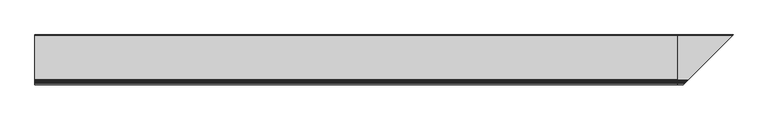
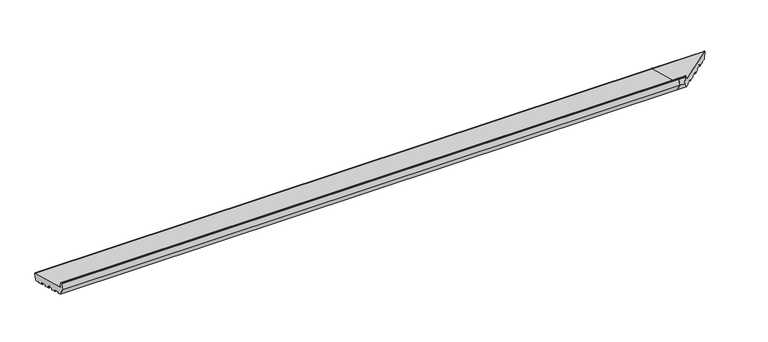
"""IFC4 building model written with IfcOpenShell, lengths in millimetres: proxy geometry."""

from ifc_helpers import new_model, si_unit, point, frame, frame_2d, origin, place, context, project, spatial, polyline, circle_curve, ellipse_curve, trimmed, segment, composite_curve, outline, extrude, source, transform, mapped, element, save
from ifc_brep_helpers import plane_surface, cylinder_surface, revolved_surface, advanced_brep


def generic_models_e6ba7e44(model_context):
    return source(origin(), model_context, "Body", "SolidModel", [
        advanced_brep(
        [(2695.0, 27.5646181, 4.649359), (2695.0, 24.8478405, 5.3773174), (2695.0, 10.6796108, 13.9647636), (2695.0, 9.195355, 13.368402), (2695.0, 8.2461016, 9.8257399), (2695.0, 7.0213567, 9.1186331), (2695.0, -15.1949373, 15.0714712), (2695.0, -15.9020441, 16.2962161), (2695.0, -14.8667679, 20.1599194), (2695.0, -15.5738747, 21.3846642), (2695.0, -38.7560945, 27.5963213), (2695.0, -39.9808394, 26.8892145), (2695.0, -41.0161156, 23.0255112), (2695.0, -42.2408604, 22.3184044), (2695.0, -64.4571545, 28.2712425), (2695.0, -65.1642612, 29.4959874), (2695.0, -64.1289851, 33.3596907), (2695.0, -64.8360918, 34.5844355), (2695.0, -88.0183117, 40.7960926), (2695.0, -89.2430565, 40.0889858), (2695.0, -90.2783327, 36.2252825), (2695.0, -91.5030776, 35.5181757), (2695.0, -113.7193716, 41.4710138), (2695.0, -114.4264784, 42.6957587), (2695.0, -113.3912022, 46.559462), (2695.0, -114.098309, 47.7842068), (2695.0, -137.2805288, 53.9958639), (2695.0, -138.5052737, 53.2887571), (2695.0, -139.5405499, 49.4250538), (2695.0, -140.7652947, 48.717947), (2695.0, -153.3223305, 52.0825946), (2695.0, -171.0, 82.7012164), (2695.0, -164.4291321, 107.2240293), (2695.0, -162.9802434, 108.3358007), (2695.0, -159.6368689, 108.3358007), (2695.0, -158.1879801, 107.2240293), (2695.0, -153.4052841, 89.3747645), (2695.0, -149.1626434, 85.1321238), (2695.0, 35.8468275, 35.5589855), (2695.0, 37.9681479, 31.8847509), (2695.0, 31.2388527, 6.7706794), (2919.2388527, 31.2388527, 6.7706794), (2915.5646181, 27.5646181, 4.649359), (2925.9681479, 37.9681479, 31.8847509), (2923.8468275, 35.8468275, 35.5589855), (2738.8373566, -149.1626434, 85.1321238), (2734.5947159, -153.4052841, 89.3747645), (2729.8120199, -158.1879801, 107.2240293), (2728.3631311, -159.6368689, 108.3358007), (2725.0197566, -162.9802434, 108.3358007), (2723.5708679, -164.4291321, 107.2240293), (2717.0, -171.0, 82.7012164), (2734.6776695, -153.3223305, 52.0825946), (2747.2347053, -140.7652947, 48.717947), (2748.4594501, -139.5405499, 49.4250538), (2749.4947263, -138.5052737, 53.2887571), (2750.7194712, -137.2805288, 53.9958639), (2773.901691, -114.098309, 47.7842068), (2774.6087978, -113.3912022, 46.559462), (2773.5735216, -114.4264784, 42.6957587), (2774.2806284, -113.7193716, 41.4710138), (2796.4969224, -91.5030776, 35.5181757), (2797.7216673, -90.2783327, 36.2252825), (2798.7569435, -89.2430565, 40.0889858), (2799.9816883, -88.0183117, 40.7960926), (2912.8478405, 24.8478405, 5.3773174), (2823.1639082, -64.8360918, 34.5844355), (2823.5428455, -64.4571545, 28.2712425), (2822.8357388, -65.1642612, 29.4959874), (2823.8710149, -64.1289851, 33.3596907), (2845.7591396, -42.2408604, 22.3184044), (2846.9838844, -41.0161156, 23.0255112), (2848.0191606, -39.9808394, 26.8892145), (2849.2439055, -38.7560945, 27.5963213), (2872.4261253, -15.5738747, 21.3846642), (2873.1332321, -14.8667679, 20.1599194), (2872.0979559, -15.9020441, 16.2962161), (2872.8050627, -15.1949373, 15.0714712), (2895.0213567, 7.0213567, 9.1186331), (2896.2461016, 8.2461016, 9.8257399), (2897.195355, 9.195355, 13.368402), (2898.6796108, 10.6796108, 13.9647636)],
        [
            (0, 1),
            (1, 2),
            (2, 3, circle_curve(frame((2695.0, 10.1612808, 13.1095829), z_axis=(1.0, 0.0, 0.0), x_axis=(0.0, 1.0, 0.0)), 1.0)),
            (3, 4),
            (4, 5, circle_curve(frame((2695.0, 7.2801757, 10.084559), z_axis=(-1.0, 0.0, 0.0), x_axis=(0.0, 1.0, 0.0)), 1.0)),
            (5, 6),
            (6, 7, circle_curve(frame((2695.0, -14.9361183, 16.037397), z_axis=(-1.0, 0.0, 0.0), x_axis=(0.0, 1.0, 0.0)), 1.0)),
            (7, 8),
            (8, 9, circle_curve(frame((2695.0, -15.8326937, 20.4187384), z_axis=(1.0, 0.0, 0.0), x_axis=(0.0, 1.0, 0.0)), 1.0)),
            (9, 10),
            (10, 11, circle_curve(frame((2695.0, -39.0149136, 26.6303955), z_axis=(1.0, 0.0, 0.0), x_axis=(0.0, 1.0, 0.0)), 1.0)),
            (11, 12),
            (12, 13, circle_curve(frame((2695.0, -41.9820414, 23.2843303), z_axis=(-1.0, 0.0, 0.0), x_axis=(0.0, 1.0, 0.0)), 1.0)),
            (13, 14),
            (14, 15, circle_curve(frame((2695.0, -64.1983354, 29.2371683), z_axis=(-1.0, 0.0, 0.0), x_axis=(0.0, 1.0, 0.0)), 1.0)),
            (15, 16),
            (16, 17, circle_curve(frame((2695.0, -65.0949109, 33.6185097), z_axis=(1.0, 0.0, 0.0), x_axis=(0.0, 1.0, 0.0)), 1.0)),
            (17, 18),
            (18, 19, circle_curve(frame((2695.0, -88.2771307, 39.8301668), z_axis=(1.0, 0.0, 0.0), x_axis=(0.0, 1.0, 0.0)), 1.0)),
            (19, 20),
            (20, 21, circle_curve(frame((2695.0, -91.2442585, 36.4841016), z_axis=(-1.0, 0.0, 0.0), x_axis=(0.0, 1.0, 0.0)), 1.0)),
            (21, 22),
            (22, 23, circle_curve(frame((2695.0, -113.4605525, 42.4369396), z_axis=(-1.0, 0.0, 0.0), x_axis=(0.0, 1.0, 0.0)), 1.0)),
            (23, 24),
            (24, 25, circle_curve(frame((2695.0, -114.357128, 46.818281), z_axis=(1.0, 0.0, 0.0), x_axis=(0.0, 1.0, 0.0)), 1.0)),
            (25, 26),
            (26, 27, circle_curve(frame((2695.0, -137.5393479, 53.0299381), z_axis=(1.0, 0.0, 0.0), x_axis=(0.0, 1.0, 0.0)), 1.0)),
            (27, 28),
            (28, 29, circle_curve(frame((2695.0, -140.5064757, 49.6838729), z_axis=(-1.0, 0.0, 0.0), x_axis=(0.0, 1.0, 0.0)), 1.0)),
            (29, 30),
            (30, 31),
            (31, 32),
            (32, 33, circle_curve(frame((2695.0, -162.9802434, 106.8358007), z_axis=(-1.0, 0.0, 0.0), x_axis=(0.0, 1.0, 0.0)), 1.5)),
            (33, 34),
            (34, 35, circle_curve(frame((2695.0, -159.6368689, 106.8358007), z_axis=(-1.0, 0.0, 0.0), x_axis=(0.0, 1.0, 0.0)), 1.5)),
            (35, 36),
            (36, 37, circle_curve(frame((2695.0, -147.6097291, 90.9276787), z_axis=(1.0, 0.0, 0.0), x_axis=(0.0, 1.0, 0.0)), 6.0)),
            (37, 38),
            (38, 39, circle_curve(frame((2695.0, 35.0703704, 32.661208), z_axis=(-1.0, 0.0, 0.0), x_axis=(0.0, 1.0, 0.0)), 3.0)),
            (39, 40),
            (40, 0, circle_curve(frame((2695.0, 28.3410752, 7.5471365), z_axis=(-1.0, 0.0, 0.0), x_axis=(0.0, 1.0, 0.0)), 3.0)),
            (40, 41),
            (41, 42, ellipse_curve(frame((2916.3410752, 28.3410752, 7.5471365), z_axis=(-0.707106781186548, 0.7071067811865471, 0.0), x_axis=(0.707106781186547, 0.707106781186548, 0.0)), 4.2426407, 3.0)),
            (42, 0),
            (39, 43),
            (43, 41),
            (38, 44),
            (44, 43, ellipse_curve(frame((2923.0703704, 35.0703704, 32.661208), z_axis=(-0.707106781186548, 0.7071067811865471, 0.0), x_axis=(0.707106781186547, 0.707106781186548, 0.0)), 4.2426407, 3.0)),
            (37, 45),
            (45, 44),
            (36, 46),
            (46, 45, ellipse_curve(frame((2740.3902709, -147.6097291, 90.9276787), z_axis=(0.707106781186548, -0.7071067811865471, 0.0), x_axis=(-0.707106781186547, -0.707106781186548, 0.0)), 8.4852814, 6.0)),
            (35, 47),
            (47, 46),
            (34, 48),
            (48, 47, ellipse_curve(frame((2728.3631311, -159.6368689, 106.8358007), z_axis=(-0.707106781186548, 0.7071067811865471, 0.0), x_axis=(0.707106781186547, 0.707106781186548, 0.0)), 2.1213203, 1.5)),
            (33, 49),
            (49, 48),
            (32, 50),
            (50, 49, ellipse_curve(frame((2725.0197566, -162.9802434, 106.8358007), z_axis=(-0.707106781186548, 0.7071067811865471, 0.0), x_axis=(0.707106781186547, 0.707106781186548, 0.0)), 2.1213203, 1.5)),
            (31, 51),
            (51, 50),
            (30, 52),
            (52, 51),
            (29, 53),
            (53, 52),
            (28, 54),
            (54, 53, ellipse_curve(frame((2747.4935243, -140.5064757, 49.6838729), z_axis=(-0.707106781186548, 0.7071067811865471, 0.0), x_axis=(0.707106781186547, 0.707106781186548, 0.0)), 1.4142136, 1.0)),
            (27, 55),
            (55, 54),
            (26, 56),
            (56, 55, ellipse_curve(frame((2750.4606521, -137.5393479, 53.0299381), z_axis=(0.707106781186548, -0.7071067811865471, 0.0), x_axis=(-0.707106781186547, -0.707106781186548, 0.0)), 1.4142136, 1.0)),
            (25, 57),
            (57, 56),
            (24, 58),
            (58, 57, ellipse_curve(frame((2773.642872, -114.357128, 46.818281), z_axis=(0.707106781186548, -0.7071067811865471, 0.0), x_axis=(-0.707106781186547, -0.707106781186548, 0.0)), 1.4142136, 1.0)),
            (23, 59),
            (59, 58),
            (22, 60),
            (60, 59, ellipse_curve(frame((2774.5394475, -113.4605525, 42.4369396), z_axis=(-0.707106781186548, 0.7071067811865471, 0.0), x_axis=(0.707106781186547, 0.707106781186548, 0.0)), 1.4142136, 1.0)),
            (21, 61),
            (61, 60),
            (20, 62),
            (62, 61, ellipse_curve(frame((2796.7557415, -91.2442585, 36.4841016), z_axis=(-0.707106781186548, 0.7071067811865471, 0.0), x_axis=(0.707106781186547, 0.707106781186548, 0.0)), 1.4142136, 1.0)),
            (19, 63),
            (63, 62),
            (18, 64),
            (64, 63, ellipse_curve(frame((2799.7228693, -88.2771307, 39.8301668), z_axis=(0.707106781186548, -0.7071067811865471, 0.0), x_axis=(-0.707106781186547, -0.707106781186548, 0.0)), 1.4142136, 1.0)),
            (42, 65),
            (65, 1),
            (17, 66),
            (66, 64),
            (14, 67),
            (67, 68, ellipse_curve(frame((2823.8016646, -64.1983354, 29.2371683), z_axis=(-0.707106781186548, 0.7071067811865471, 0.0), x_axis=(0.707106781186547, 0.707106781186548, 0.0)), 1.4142136, 1.0)),
            (68, 15),
            (68, 69),
            (69, 16),
            (69, 66, ellipse_curve(frame((2822.9050891, -65.0949109, 33.6185097), z_axis=(0.707106781186548, -0.7071067811865471, 0.0), x_axis=(-0.707106781186547, -0.707106781186548, 0.0)), 1.4142136, 1.0)),
            (13, 70),
            (70, 67),
            (12, 71),
            (71, 70, ellipse_curve(frame((2846.0179586, -41.9820414, 23.2843303), z_axis=(-0.707106781186548, 0.7071067811865471, 0.0), x_axis=(0.707106781186547, 0.707106781186548, 0.0)), 1.4142136, 1.0)),
            (11, 72),
            (72, 71),
            (10, 73),
            (73, 72, ellipse_curve(frame((2848.9850864, -39.0149136, 26.6303955), z_axis=(0.707106781186548, -0.7071067811865471, 0.0), x_axis=(-0.707106781186547, -0.707106781186548, 0.0)), 1.4142136, 1.0)),
            (9, 74),
            (74, 73),
            (74, 75, ellipse_curve(frame((2872.1673063, -15.8326937, 20.4187384), z_axis=(-0.707106781186548, 0.7071067811865471, 0.0), x_axis=(-0.707106781186547, -0.707106781186548, 0.0)), 1.4142136, 1.0)),
            (75, 76),
            (76, 77, ellipse_curve(frame((2873.0638817, -14.9361183, 16.037397), z_axis=(0.707106781186548, -0.7071067811865471, 0.0), x_axis=(0.707106781186547, 0.707106781186548, 0.0)), 1.4142136, 1.0)),
            (77, 78),
            (78, 79, ellipse_curve(frame((2895.2801757, 7.2801757, 10.084559), z_axis=(0.707106781186548, -0.7071067811865471, 0.0), x_axis=(0.707106781186547, 0.707106781186548, 0.0)), 1.4142136, 1.0)),
            (79, 80),
            (80, 81, ellipse_curve(frame((2898.1612808, 10.1612808, 13.1095829), z_axis=(-0.707106781186548, 0.7071067811865471, 0.0), x_axis=(-0.707106781186547, -0.707106781186548, 0.0)), 1.4142136, 1.0)),
            (81, 65),
            (81, 2),
            (80, 3),
            (79, 4),
            (78, 5),
            (77, 6),
            (76, 7),
            (75, 8),
        ],
        [
            plane_surface(frame((2695.0, 0.0, 0.0), z_axis=(-1.0, 0.0, 0.0), x_axis=(0.0, 0.0, 1.0))),
            cylinder_surface(frame((2926.2117918, 28.3410752, 7.5471365), z_axis=(1.0, 0.0, 0.0), x_axis=(0.0, 1.0, 0.0)), 3.0),
            plane_surface(frame((2926.2117918, 37.9681479, 31.8847509), z_axis=(0.0, 0.9659258262890688, -0.2588190451025192), x_axis=(-1.0, 0.0, 0.0))),
            cylinder_surface(frame((2926.2117918, 35.0703704, 32.661208), z_axis=(1.0, 0.0, 0.0), x_axis=(0.0, 1.0, 0.0)), 3.0),
            plane_surface(frame((2926.2117918, -149.1626434, 85.1321238), z_axis=(0.0, 0.2588190451025207, 0.9659258262890683), x_axis=(-1.0, 0.0, 0.0))),
            revolved_surface(polyline([(2695.0, -141.6097291, 90.9276787), (2746.390270918216, -141.6097291, 90.9276787)]), (2926.2117918, -147.6097291, 90.9276787), (-1.0, 0.0, 0.0)),
            plane_surface(frame((2926.2117918, -158.1879801, 107.2240293), z_axis=(0.0, 0.9659258262890698, 0.25881904510251524), x_axis=(-1.0, 0.0, 0.0))),
            cylinder_surface(frame((2926.2117918, -159.6368689, 106.8358007), z_axis=(1.0, 0.0, 0.0), x_axis=(0.0, 1.0, 0.0)), 1.5),
            plane_surface(frame((2926.2117918, -162.9802434, 108.3358007), z_axis=(0.0, 0.0, 1.0), x_axis=(-1.0, 0.0, 0.0))),
            cylinder_surface(frame((2926.2117918, -162.9802434, 106.8358007), z_axis=(1.0, 0.0, 0.0), x_axis=(0.0, 1.0, 0.0)), 1.5),
            plane_surface(frame((2926.2117918, -171.0, 82.7012164), z_axis=(0.0, -0.9659258262890683, 0.2588190451025209), x_axis=(-1.0, 0.0, 0.0))),
            plane_surface(frame((2926.2117918, -153.3223305, 52.0825946), z_axis=(0.0, -0.8660254037844415, -0.4999999999999952), x_axis=(-1.0, 0.0, 0.0))),
            plane_surface(frame((2926.2117918, -140.7652947, 48.717947), z_axis=(0.0, -0.2588190451025172, -0.9659258262890693), x_axis=(-1.0, 0.0, 0.0))),
            cylinder_surface(frame((2926.2117918, -140.5064757, 49.6838729), z_axis=(1.0, 0.0, 0.0), x_axis=(0.0, 1.0, 0.0)), 1.0),
            plane_surface(frame((2926.2117918, -138.5052737, 53.2887571), z_axis=(0.0, 0.9659258262890776, -0.25881904510248605), x_axis=(-1.0, 0.0, 0.0))),
            revolved_surface(polyline([(2695.0, -136.5393479, 53.0299381), (2751.4606521266064, -136.5393479, 53.0299381)]), (2926.2117918, -137.5393479, 53.0299381), (-1.0, 0.0, 0.0)),
            plane_surface(frame((2926.2117918, -114.098309, 47.7842068), z_axis=(0.0, -0.258819045102523, -0.9659258262890678), x_axis=(-1.0, 0.0, 0.0))),
            revolved_surface(polyline([(2695.0, -113.357128, 46.818281), (2774.6428720266063, -113.357128, 46.818281)]), (2926.2117918, -114.357128, 46.818281), (-1.0, 0.0, 0.0)),
            plane_surface(frame((2926.2117918, -114.4264784, 42.6957587), z_axis=(0.0, -0.9659258262890776, 0.25881904510248605), x_axis=(-1.0, 0.0, 0.0))),
            cylinder_surface(frame((2926.2117918, -113.4605525, 42.4369396), z_axis=(1.0, 0.0, 0.0), x_axis=(0.0, 1.0, 0.0)), 1.0),
            plane_surface(frame((2926.2117918, -91.5030776, 35.5181757), z_axis=(0.0, -0.2588190451025226, -0.9659258262890679), x_axis=(-1.0, 0.0, 0.0))),
            cylinder_surface(frame((2926.2117918, -91.2442585, 36.4841016), z_axis=(1.0, 0.0, 0.0), x_axis=(0.0, 1.0, 0.0)), 1.0),
            plane_surface(frame((2926.2117918, -89.2430565, 40.0889858), z_axis=(0.0, 0.9659258262890776, -0.25881904510248605), x_axis=(-1.0, 0.0, 0.0))),
            revolved_surface(polyline([(2695.0, -87.2771307, 39.8301668), (2800.7228693266065, -87.2771307, 39.8301668)]), (2926.2117918, -88.2771307, 39.8301668), (-1.0, 0.0, 0.0)),
            plane_surface(frame((2926.2117918, 27.5646181, 4.649359), z_axis=(0.0, -0.2588190451025255, -0.9659258262890671), x_axis=(-1.0, 0.0, 0.0))),
            plane_surface(frame((2926.2117918, -64.8360918, 34.5844355), z_axis=(0.0, -0.2588190451025206, -0.9659258262890683), x_axis=(-1.0, 0.0, 0.0))),
            cylinder_surface(frame((2926.2117918, -64.1983354, 29.2371683), z_axis=(1.0, 0.0, 0.0), x_axis=(0.0, 1.0, 0.0)), 1.0),
            plane_surface(frame((2926.2117918, -65.1642612, 29.4959874), z_axis=(0.0, -0.9659258262890776, 0.25881904510248605), x_axis=(-1.0, 0.0, 0.0))),
            revolved_surface(polyline([(2695.0, -64.0949109, 33.6185097), (2823.9050891266065, -64.0949109, 33.6185097)]), (2926.2117918, -65.0949109, 33.6185097), (-1.0, 0.0, 0.0)),
            plane_surface(frame((2926.2117918, -42.2408604, 22.3184044), z_axis=(0.0, -0.2588190451025198, -0.9659258262890686), x_axis=(-1.0, 0.0, 0.0))),
            cylinder_surface(frame((2926.2117918, -41.9820414, 23.2843303), z_axis=(1.0, 0.0, 0.0), x_axis=(0.0, 1.0, 0.0)), 1.0),
            plane_surface(frame((2926.2117918, -39.9808394, 26.8892145), z_axis=(0.0, 0.9659258262890776, -0.25881904510248605), x_axis=(-1.0, 0.0, 0.0))),
            revolved_surface(polyline([(2695.0, -38.0149136, 26.6303955), (2849.9850864266064, -38.0149136, 26.6303955)]), (2926.2117918, -39.0149136, 26.6303955), (-1.0, 0.0, 0.0)),
            plane_surface(frame((2926.2117918, -15.5738747, 21.3846642), z_axis=(0.0, -0.25881904510252063, -0.9659258262890683), x_axis=(-1.0, 0.0, 0.0))),
            plane_surface(frame((2870.6233951, -17.3766049, 0.0), z_axis=(0.707106781186548, -0.7071067811865471, 0.0), x_axis=(0.0, 0.0, 1.0))),
            plane_surface(frame((2926.2117918, 24.8478405, 5.3773174), z_axis=(0.0, -0.5183299834329768, -0.8551806991942522), x_axis=(-1.0, 0.0, 0.0))),
            revolved_surface(polyline([(2695.0, 11.1612808, 13.1095829), (2899.1612808266063, 11.1612808, 13.1095829)]), (2926.2117918, 10.1612808, 13.1095829), (-1.0, 0.0, 0.0)),
            plane_surface(frame((2926.2117918, 9.195355, 13.368402), z_axis=(0.0, 0.9659258262890607, -0.2588190451025496), x_axis=(-1.0, 0.0, 0.0))),
            cylinder_surface(frame((2926.2117918, 7.2801757, 10.084559), z_axis=(1.0, 0.0, 0.0), x_axis=(0.0, 1.0, 0.0)), 1.0),
            plane_surface(frame((2926.2117918, 7.0213567, 9.1186331), z_axis=(0.0, -0.2588190451025221, -0.965925826289068), x_axis=(-1.0, 0.0, 0.0))),
            cylinder_surface(frame((2926.2117918, -14.9361183, 16.037397), z_axis=(1.0, 0.0, 0.0), x_axis=(0.0, 1.0, 0.0)), 1.0),
            plane_surface(frame((2926.2117918, -15.9020441, 16.2962161), z_axis=(0.0, -0.9659258262890634, 0.2588190451025393), x_axis=(-1.0, 0.0, 0.0))),
            revolved_surface(polyline([(2695.0, -14.8326937, 20.4187384), (2873.167306326606, -14.8326937, 20.4187384)]), (2926.2117918, -15.8326937, 20.4187384), (-1.0, 0.0, 0.0)),
        ],
        [
            (0, [[1, 2, 3, 4, 5, 6, 7, 8, 9, 10, 11, 12, 13, 14, 15, 16, 17, 18, 19, 20, 21, 22, 23, 24, 25, 26, 27, 28, 29, 30, 31, 32, 33, 34, 35, 36, 37, 38, 39, 40, 41]]),
            (1, [[42, 43, 44, -41]]),
            (2, [[45, 46, -42, -40]]),
            (3, [[47, 48, -45, -39]]),
            (4, [[49, 50, -47, -38]]),
            (5, [[51, 52, -49, -37]]),
            (6, [[53, 54, -51, -36]]),
            (7, [[55, 56, -53, -35]]),
            (8, [[57, 58, -55, -34]]),
            (9, [[59, 60, -57, -33]]),
            (10, [[61, 62, -59, -32]]),
            (11, [[63, 64, -61, -31]]),
            (12, [[65, 66, -63, -30]]),
            (13, [[67, 68, -65, -29]]),
            (14, [[69, 70, -67, -28]]),
            (15, [[71, 72, -69, -27]]),
            (16, [[73, 74, -71, -26]]),
            (17, [[75, 76, -73, -25]]),
            (18, [[77, 78, -75, -24]]),
            (19, [[79, 80, -77, -23]]),
            (20, [[81, 82, -79, -22]]),
            (21, [[83, 84, -81, -21]]),
            (22, [[85, 86, -83, -20]]),
            (23, [[87, 88, -85, -19]]),
            (24, [[-44, 89, 90, -1]]),
            (25, [[91, 92, -87, -18]]),
            (26, [[93, 94, 95, -15]]),
            (27, [[-95, 96, 97, -16]]),
            (28, [[-97, 98, -91, -17]]),
            (29, [[99, 100, -93, -14]]),
            (30, [[101, 102, -99, -13]]),
            (31, [[103, 104, -101, -12]]),
            (32, [[105, 106, -103, -11]]),
            (33, [[107, 108, -105, -10]]),
            (34, [[-46, -48, -50, -52, -54, -56, -58, -60, -62, -64, -66, -68, -70, -72, -74, -76, -78, -80, -82, -84, -86, -88, -92, -98, -96, -94, -100, -102, -104, -106, -108, 109, 110, 111, 112, 113, 114, 115, 116, -89, -43]]),
            (35, [[-90, -116, 117, -2]]),
            (36, [[-117, -115, 118, -3]]),
            (37, [[-118, -114, 119, -4]]),
            (38, [[-119, -113, 120, -5]]),
            (39, [[-120, -112, 121, -6]]),
            (40, [[-121, -111, 122, -7]]),
            (41, [[-122, -110, 123, -8]]),
            (42, [[-123, -109, -107, -9]]),
        ],
    ),
        extrude(outline(composite_curve([segment(polyline([(27.5646181, 4.649359), (24.8478405, 5.3773174), (10.6796108, 13.9647636)]), True, "CONTINUOUS"), segment(trimmed(circle_curve(frame_2d((10.1612808, 13.1095829)), 1.0), [point((10.6796108, 13.9647636))], [point((9.195355, 13.368402))], True, "CARTESIAN"), True, "CONTINUOUS"), segment(polyline([(9.195355, 13.368402), (8.2461016, 9.8257399)]), True, "CONTINUOUS"), segment(trimmed(circle_curve(frame_2d((7.2801757, 10.084559)), 1.0), [point((8.2461016, 9.8257399))], [point((7.0213567, 9.1186331))], False, "CARTESIAN"), True, "CONTINUOUS"), segment(polyline([(7.0213567, 9.1186331), (-15.1949373, 15.0714712)]), True, "CONTINUOUS"), segment(trimmed(circle_curve(frame_2d((-14.9361183, 16.037397)), 1.0), [point((-15.1949373, 15.0714712))], [point((-15.9020441, 16.2962161))], False, "CARTESIAN"), True, "CONTINUOUS"), segment(polyline([(-15.9020441, 16.2962161), (-14.8667679, 20.1599194)]), True, "CONTINUOUS"), segment(trimmed(circle_curve(frame_2d((-15.8326937, 20.4187384)), 1.0), [point((-14.8667679, 20.1599194))], [point((-15.5738747, 21.3846642))], True, "CARTESIAN"), True, "CONTINUOUS"), segment(polyline([(-15.5738747, 21.3846642), (-38.7560945, 27.5963213)]), True, "CONTINUOUS"), segment(trimmed(circle_curve(frame_2d((-39.0149136, 26.6303955)), 1.0), [point((-38.7560945, 27.5963213))], [point((-39.9808394, 26.8892145))], True, "CARTESIAN"), True, "CONTINUOUS"), segment(polyline([(-39.9808394, 26.8892145), (-41.0161156, 23.0255112)]), True, "CONTINUOUS"), segment(trimmed(circle_curve(frame_2d((-41.9820414, 23.2843303)), 1.0), [point((-41.0161156, 23.0255112))], [point((-42.2408604, 22.3184044))], False, "CARTESIAN"), True, "CONTINUOUS"), segment(polyline([(-42.2408604, 22.3184044), (-64.4571545, 28.2712425)]), True, "CONTINUOUS"), segment(trimmed(circle_curve(frame_2d((-64.1983354, 29.2371683)), 1.0), [point((-64.4571545, 28.2712425))], [point((-65.1642612, 29.4959874))], False, "CARTESIAN"), True, "CONTINUOUS"), segment(polyline([(-65.1642612, 29.4959874), (-64.1289851, 33.3596907)]), True, "CONTINUOUS"), segment(trimmed(circle_curve(frame_2d((-65.0949109, 33.6185097)), 1.0), [point((-64.1289851, 33.3596907))], [point((-64.8360918, 34.5844355))], True, "CARTESIAN"), True, "CONTINUOUS"), segment(polyline([(-64.8360918, 34.5844355), (-88.0183117, 40.7960926)]), True, "CONTINUOUS"), segment(trimmed(circle_curve(frame_2d((-88.2771307, 39.8301668)), 1.0), [point((-88.0183117, 40.7960926))], [point((-89.2430565, 40.0889858))], True, "CARTESIAN"), True, "CONTINUOUS"), segment(polyline([(-89.2430565, 40.0889858), (-90.2783327, 36.2252825)]), True, "CONTINUOUS"), segment(trimmed(circle_curve(frame_2d((-91.2442585, 36.4841016)), 1.0), [point((-90.2783327, 36.2252825))], [point((-91.5030776, 35.5181757))], False, "CARTESIAN"), True, "CONTINUOUS"), segment(polyline([(-91.5030776, 35.5181757), (-113.7193716, 41.4710138)]), True, "CONTINUOUS"), segment(trimmed(circle_curve(frame_2d((-113.4605525, 42.4369396)), 1.0), [point((-113.7193716, 41.4710138))], [point((-114.4264784, 42.6957587))], False, "CARTESIAN"), True, "CONTINUOUS"), segment(polyline([(-114.4264784, 42.6957587), (-113.3912022, 46.559462)]), True, "CONTINUOUS"), segment(trimmed(circle_curve(frame_2d((-114.357128, 46.818281)), 1.0), [point((-113.3912022, 46.559462))], [point((-114.098309, 47.7842068))], True, "CARTESIAN"), True, "CONTINUOUS"), segment(polyline([(-114.098309, 47.7842068), (-137.2805288, 53.9958639)]), True, "CONTINUOUS"), segment(trimmed(circle_curve(frame_2d((-137.5393479, 53.0299381)), 1.0), [point((-137.2805288, 53.9958639))], [point((-138.5052737, 53.2887571))], True, "CARTESIAN"), True, "CONTINUOUS"), segment(polyline([(-138.5052737, 53.2887571), (-139.5405499, 49.4250538)]), True, "CONTINUOUS"), segment(trimmed(circle_curve(frame_2d((-140.5064757, 49.6838729)), 1.0), [point((-139.5405499, 49.4250538))], [point((-140.7652947, 48.717947))], False, "CARTESIAN"), True, "CONTINUOUS"), segment(polyline([(-140.7652947, 48.717947), (-153.3223305, 52.0825946), (-171.0, 82.7012164), (-164.4291321, 107.2240293)]), True, "CONTINUOUS"), segment(trimmed(circle_curve(frame_2d((-162.9802434, 106.8358007)), 1.5), [point((-164.4291321, 107.2240293))], [point((-162.9802434, 108.3358007))], False, "CARTESIAN"), True, "CONTINUOUS"), segment(polyline([(-162.9802434, 108.3358007), (-159.6368689, 108.3358007)]), True, "CONTINUOUS"), segment(trimmed(circle_curve(frame_2d((-159.6368689, 106.8358007)), 1.5), [point((-159.6368689, 108.3358007))], [point((-158.1879801, 107.2240293))], False, "CARTESIAN"), True, "CONTINUOUS"), segment(polyline([(-158.1879801, 107.2240293), (-153.4052841, 89.3747645)]), True, "CONTINUOUS"), segment(trimmed(circle_curve(frame_2d((-147.6097291, 90.9276787)), 6.0), [point((-153.4052841, 89.3747645))], [point((-149.1626434, 85.1321238))], True, "CARTESIAN"), True, "CONTINUOUS"), segment(polyline([(-149.1626434, 85.1321238), (35.8468275, 35.5589855)]), True, "CONTINUOUS"), segment(trimmed(circle_curve(frame_2d((35.0703704, 32.661208)), 3.0), [point((35.8468275, 35.5589855))], [point((37.9681479, 31.8847509))], False, "CARTESIAN"), True, "CONTINUOUS"), segment(polyline([(37.9681479, 31.8847509), (31.2388527, 6.7706794)]), True, "CONTINUOUS"), segment(trimmed(circle_curve(frame_2d((28.3410752, 7.5471365)), 3.0), [point((31.2388527, 6.7706794))], [point((27.5646181, 4.649359))], False, "CARTESIAN"), True, "CONTINUOUS")], self_intersect=False)), frame((0.0, 0.0, 0.0), z_axis=(1.0, 0.0, 0.0), x_axis=(0.0, 1.0, 0.0)), (0.0, 0.0, 1.0), 2695.0),
    ])


if __name__ == "__main__":
    model = new_model("IFC4")
    model_context = context("Model", 3, world=origin())
    ifc_project = project(units=[si_unit("LENGTHUNIT", "METRE", prefix="MILLI")], contexts=[model_context])
    site = spatial("IfcSite", under=ifc_project)
    building = spatial("IfcBuilding", under=site)
    placement = place(None, origin())
    generic_models_shape = generic_models_e6ba7e44(model_context)
    element("IfcBuildingElementProxy", 1, Name="Generic Models", at=placement, inside=building, context=model_context, shape_type="MappedRepresentation", body=[
        mapped(generic_models_shape, transform((0.0, 0.0, 0.0), x_axis=(1.0, 0.0, 0.0), y_axis=(0.0, 1.0, 0.0), z_axis=(0.0, 0.0, 1.0))),
    ])
    save(model, "model.ifc")
